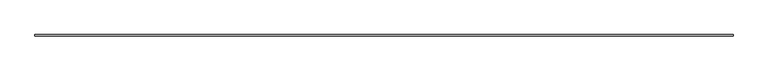
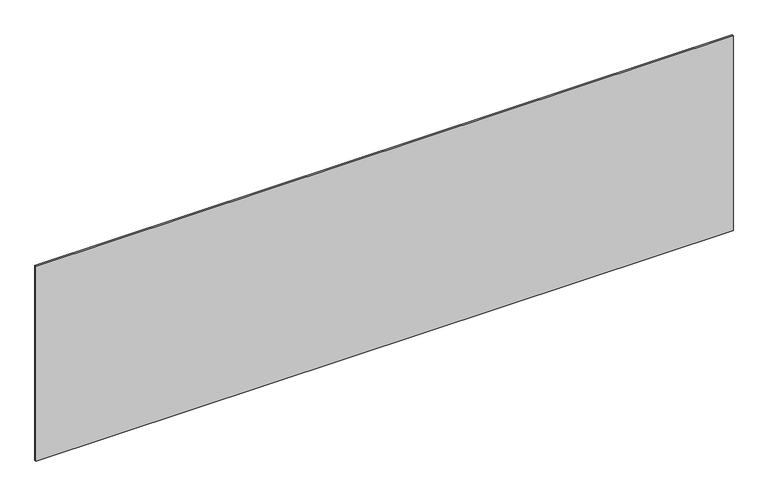
"""IFC4 building model written with IfcOpenShell, lengths in millimetres: plate geometry."""

from ifc_helpers import new_model, si_unit, origin, origin_with_axes, place, context, project, spatial, polyline, outline, extrude, source, transform, mapped, element, save


def plate_47bbfc24(model_context):
    return source(origin(), model_context, "Body", "SweptSolid", [
        extrude(outline(polyline([(2206.6666667, -5.0), (-2206.6666667, -5.0), (-2206.6666667, 5.0), (2206.6666667, 5.0), (2206.6666667, -5.0)])), origin_with_axes(), (0.0, 0.0, 1.0), 1304.0022559),
    ])


if __name__ == "__main__":
    model = new_model("IFC4")
    model_context = context("Model", 3, world=origin())
    ifc_project = project(units=[si_unit("LENGTHUNIT", "METRE", prefix="MILLI")], contexts=[model_context])
    site = spatial("IfcSite", under=ifc_project)
    building = spatial("IfcBuilding", under=site)
    placement = place(None, origin())
    plate_shape = plate_47bbfc24(model_context)
    element("IfcPlate", 1, at=placement, inside=building, context=model_context, shape_type="MappedRepresentation", body=[
        mapped(plate_shape, transform((0.0, 0.0, 0.0), x_axis=(1.0, 0.0, 0.0), y_axis=(0.0, 1.0, 0.0), z_axis=(0.0, 0.0, 1.0))),
    ])
    save(model, "model.ifc")
